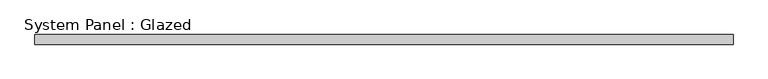
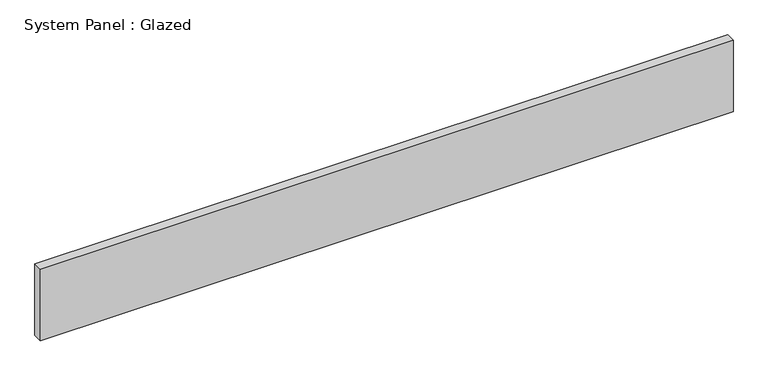
"""IFC4 building model written with IfcOpenShell, lengths in millimetres: plate geometry, System Panel : Glazed."""

from ifc_helpers import new_model, si_unit, origin, origin_with_axes, place, context, project, spatial, polyline, outline, extrude, source, transform, mapped, element, save


def system_panel_glazed_dff0cb57(model_context):
    return source(origin(), model_context, "Body", "SweptSolid", [
        extrude(outline(polyline([(905.0, 24.5), (-905.0, 24.5), (-905.0, 49.5), (905.0, 49.5), (905.0, 24.5)])), origin_with_axes(), (0.0, 0.0, 1.0), 197.1692572),
    ])


if __name__ == "__main__":
    model = new_model("IFC4")
    model_context = context("Model", 3, world=origin())
    ifc_project = project(units=[si_unit("LENGTHUNIT", "METRE", prefix="MILLI")], contexts=[model_context])
    site = spatial("IfcSite", under=ifc_project)
    building = spatial("IfcBuilding", under=site)
    placement = place(None, origin())
    system_panel_glazed_shape = system_panel_glazed_dff0cb57(model_context)
    element("IfcPlate", 1, ObjectType="System Panel : Glazed", at=placement, inside=building, context=model_context, shape_type="MappedRepresentation", body=[
        mapped(system_panel_glazed_shape, transform((0.0, 0.0, 0.0), x_axis=(1.0, 0.0, 0.0), y_axis=(0.0, 1.0, 0.0), z_axis=(0.0, 0.0, 1.0))),
    ])
    save(model, "model.ifc")
